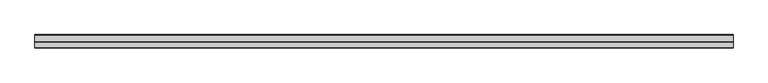
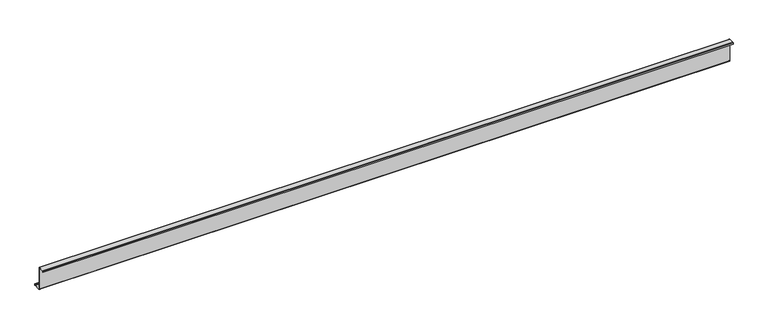
"""IFC4 building model written with IfcOpenShell, lengths in millimetres: member geometry."""

import ifcopenshell
import ifcopenshell.guid

model = None  # the IFC model being written
_history = None  # IfcOwnerHistory: only IFC2X3 demands one
_inside = {}  # id of a spatial element -> (the spatial element, [elements in it])
_under = {}  # id of a project, library or spatial element -> (it, [spatial elements below it])
_declared = {}  # id of a project -> (the project, [libraries it declares])
_typed = {}  # id of a type object -> (the type object, [elements of that type])
_made_of = {}  # id of a material, layer set ... -> (it, [elements and type objects made of it])


def new_model(schema):
    """Start an empty IFC model of exactly this schema.

    Asked for "IFC4X3", IfcOpenShell would pick the latest addendum, in which some entities
    have other attributes; the version numbers below select the first issue.
    IFC2X3 requires an IfcOwnerHistory on every rooted entity: one is made here for all.
    """
    global model, _history
    if schema == "IFC4X3":
        model = ifcopenshell.file(schema_version=(4, 3, 0, 0))
    else:
        model = ifcopenshell.file(schema=schema)
    _inside.clear()
    _under.clear()
    _declared.clear()
    _typed.clear()
    _made_of.clear()
    _history = None
    if model.schema == "IFC2X3":
        org = make("IfcOrganization", Name="unknown")
        user = make(
            "IfcPersonAndOrganization",
            ThePerson=make("IfcPerson", FamilyName="unknown"),
            TheOrganization=org,
        )
        app = make(
            "IfcApplication",
            ApplicationDeveloper=org,
            Version="unknown",
            ApplicationFullName="unknown",
            ApplicationIdentifier="unknown",
        )
        _history = make(
            "IfcOwnerHistory",
            OwningUser=user,
            OwningApplication=app,
            ChangeAction="ADDED",
            CreationDate=0,
        )
    return model


def make(cls, **values):
    """One entity of the class cls with the attributes given. An attribute that is None is left unset."""
    return model.create_entity(
        cls, **{name: value for name, value in values.items() if value is not None}
    )


def rooted(cls, **values):
    """An entity with a GlobalId (a new one), such as an element, a storey or a relation."""
    return make(cls, GlobalId=ifcopenshell.guid.new(), OwnerHistory=_history, **values)


def si_unit(unit_type, name, prefix=None):
    """IfcSIUnit, for example si_unit("LENGTHUNIT", "METRE", prefix="MILLI")."""
    return make("IfcSIUnit", UnitType=unit_type, Prefix=prefix, Name=name)


def assignment(units):
    """IfcUnitAssignment: the units of a project."""
    return None if units is None else make("IfcUnitAssignment", Units=units)


def point(xyz):
    """IfcCartesianPoint."""
    return None if xyz is None else make("IfcCartesianPoint", Coordinates=xyz)


def direction(xyz):
    """IfcDirection."""
    return None if xyz is None else make("IfcDirection", DirectionRatios=xyz)


def frame(location, z_axis=None, x_axis=None):
    """IfcAxis2Placement3D, a coordinate frame: its origin and axes. An axis left out is left unset."""
    return make(
        "IfcAxis2Placement3D",
        Location=point(location),
        Axis=direction(z_axis),
        RefDirection=direction(x_axis),
    )


def frame_2d(location, x_axis=None):
    """IfcAxis2Placement2D, a coordinate frame in the plane: its origin and x axis."""
    return make(
        "IfcAxis2Placement2D", Location=point(location), RefDirection=direction(x_axis)
    )


def origin():
    """The frame at (0, 0, 0) with its axes left unset."""
    return frame((0.0, 0.0, 0.0))


def place(relative_to, where):
    """IfcLocalPlacement: puts the frame where relative to a parent placement (None: the world)."""
    return make(
        "IfcLocalPlacement", PlacementRelTo=relative_to, RelativePlacement=where
    )


def context(
    kind, dimensions, precision=None, world=None, true_north=None, identifier=None
):
    """IfcGeometricRepresentationContext, for example the 3D "Model" context."""
    return make(
        "IfcGeometricRepresentationContext",
        ContextIdentifier=identifier,
        ContextType=kind,
        CoordinateSpaceDimension=dimensions,
        Precision=precision,
        WorldCoordinateSystem=world,
        TrueNorth=true_north,
    )


def project(units=None, contexts=None):
    """IfcProject with its units and contexts."""
    return rooted(
        "IfcProject",
        Name="project",
        RepresentationContexts=contexts,
        UnitsInContext=assignment(units),
    )


def spatial(cls, under=None, at=None, **own):
    """A site, building, storey or space (cls), placed at a placement, below another one or the project."""
    s = rooted(cls, ObjectPlacement=at, **own)
    if under is not None:
        _under.setdefault(under.id(), (under, []))[1].append(s)
    return s


def polyline(points):
    """IfcPolyline through the points."""
    return make("IfcPolyline", Points=[point(p) for p in points])


def circle_curve(where, radius):
    """IfcCircle in the frame where."""
    return make("IfcCircle", Position=where, Radius=radius)


def trimmed(basis, trim1, trim2, sense, master):
    """IfcTrimmedCurve: the piece of a basis curve between two trims."""
    return make(
        "IfcTrimmedCurve",
        BasisCurve=basis,
        Trim1=trim1,
        Trim2=trim2,
        SenseAgreement=sense,
        MasterRepresentation=master,
    )


def segment(curve, same_sense, transition):
    """IfcCompositeCurveSegment."""
    return make(
        "IfcCompositeCurveSegment",
        Transition=transition,
        SameSense=same_sense,
        ParentCurve=curve,
    )


def composite_curve(segments, self_intersect=None):
    """IfcCompositeCurve: segments joined end to end."""
    return make("IfcCompositeCurve", Segments=segments, SelfIntersect=self_intersect)


def outline(outer, holes=None, kind="AREA"):
    """IfcArbitraryClosedProfileDef: a profile drawn as a closed curve; with holes, ...WithVoids."""
    if holes is None:
        return make("IfcArbitraryClosedProfileDef", ProfileType=kind, OuterCurve=outer)
    return make(
        "IfcArbitraryProfileDefWithVoids",
        ProfileType=kind,
        OuterCurve=outer,
        InnerCurves=holes,
    )


def extrude(swept, where, along, depth):
    """IfcExtrudedAreaSolid: the profile swept, set in the frame where, extruded along a direction by depth."""
    return make(
        "IfcExtrudedAreaSolid",
        SweptArea=swept,
        Position=where,
        ExtrudedDirection=direction(along),
        Depth=depth,
    )


def shape(context_of_items, identifier, shape_type, items):
    """IfcShapeRepresentation: the items that make up one representation, for example the "Body"."""
    return make(
        "IfcShapeRepresentation",
        ContextOfItems=context_of_items,
        RepresentationIdentifier=identifier,
        RepresentationType=shape_type,
        Items=items,
    )


def source(mapping_origin, context_of_items, identifier, shape_type, items):
    """IfcRepresentationMap: a shape defined once, which mapped items show again and again."""
    return make(
        "IfcRepresentationMap",
        MappingOrigin=mapping_origin,
        MappedRepresentation=shape(context_of_items, identifier, shape_type, items),
    )


def transform(
    local_origin,
    x_axis=None,
    y_axis=None,
    z_axis=None,
    scale=None,
    scale2=None,
    scale3=None,
    uniform=True,
):
    """IfcCartesianTransformationOperator3D, or its non-uniform kind. x_axis, y_axis, z_axis: its Axis1, 2, 3."""
    if uniform:
        return make(
            "IfcCartesianTransformationOperator3D",
            Axis1=direction(x_axis),
            Axis2=direction(y_axis),
            LocalOrigin=point(local_origin),
            Scale=scale,
            Axis3=direction(z_axis),
        )
    return make(
        "IfcCartesianTransformationOperator3DnonUniform",
        Axis1=direction(x_axis),
        Axis2=direction(y_axis),
        LocalOrigin=point(local_origin),
        Scale=scale,
        Axis3=direction(z_axis),
        Scale2=scale2,
        Scale3=scale3,
    )


def mapped(mapping_source, mapping_target):
    """IfcMappedItem: shows the shape of a source again, moved by a transform."""
    return make(
        "IfcMappedItem", MappingSource=mapping_source, MappingTarget=mapping_target
    )


def made_of(thing, what):
    """Note that an element or type object is made of a material, layer set ...; save() writes the relation."""
    if what is not None:
        _made_of.setdefault(what.id(), (what, []))[1].append(thing)
    return thing


def element(
    cls,
    number,
    at=None,
    inside=None,
    cuts=None,
    type_object=None,
    material=None,
    context=None,
    identifier="Body",
    shape_type=None,
    held_by="IfcProductDefinitionShape",
    body=None,
    shapes=None,
    **own,
):
    """One element of the class cls, such as IfcWall. Its Tag is "e" and its number.

    at: its placement. inside: the storey or other place that contains it. cuts: it is an
    opening in that element (IfcRelVoidsElement). A single representation is given by context,
    identifier, shape_type and body (its items); several are given by shapes. held_by: the class
    of the entity that holds the representations. save() writes the other relations.
    """
    e = rooted(cls, Tag="e%d" % number, ObjectPlacement=at, **own)
    if body is not None:
        shapes = [shape(context, identifier, shape_type, body)]
    if shapes is not None:
        e.Representation = make(held_by, Representations=shapes)
    if inside is not None:
        _inside.setdefault(inside.id(), (inside, []))[1].append(e)
    if cuts is not None:
        rooted(
            "IfcRelVoidsElement", RelatingBuildingElement=cuts, RelatedOpeningElement=e
        )
    if type_object is not None:
        _typed.setdefault(type_object.id(), (type_object, []))[1].append(e)
    return made_of(e, material)


def aggregate(whole, parts):
    """IfcRelAggregates: a whole, such as a stair, and the parts it consists of."""
    return rooted("IfcRelAggregates", RelatingObject=whole, RelatedObjects=parts)


def save(model, path):
    """Write the relations noted so far, then the file.

    IfcRelAggregates (storeys below a building ...), IfcRelContainedInSpatialStructure (elements
    in a storey), IfcRelDefinesByType, IfcRelAssociatesMaterial and IfcRelDeclares: one each for
    every whole, place, type object, material and project.
    """
    for whole, parts in _under.values():
        aggregate(whole, parts)
    for where, things in _inside.values():
        rooted(
            "IfcRelContainedInSpatialStructure",
            RelatedElements=things,
            RelatingStructure=where,
        )
    for kind, things in _typed.values():
        rooted("IfcRelDefinesByType", RelatedObjects=things, RelatingType=kind)
    for what, things in _made_of.values():
        rooted("IfcRelAssociatesMaterial", RelatedObjects=things, RelatingMaterial=what)
    for by, libraries in _declared.values():
        rooted("IfcRelDeclares", RelatingContext=by, RelatedDefinitions=libraries)
    model.write(path)


def member_4647009c(model_context):
    return source(origin(), model_context, "Body", "SweptSolid", [
        extrude(outline(composite_curve([segment(polyline([(0.0, -123.5), (0.0, 123.5)]), True, "CONTINUOUS"), segment(trimmed(circle_curve(frame_2d((-2.0, 123.5)), 2.0), [point((0.0, 123.5))], [point((-2.0, 125.5))], True, "CARTESIAN"), True, "CONTINUOUS"), segment(polyline([(-2.0, 125.5), (-63.5, 125.5)]), True, "CONTINUOUS"), segment(trimmed(circle_curve(frame_2d((-63.5, 123.5)), 2.0), [point((-63.5, 125.5))], [point((-65.5, 123.5))], True, "CARTESIAN"), True, "CONTINUOUS"), segment(polyline([(-65.5, 123.5), (-65.5, 107.0), (-67.0, 107.0), (-67.0, 123.5)]), True, "CONTINUOUS"), segment(trimmed(circle_curve(frame_2d((-63.5, 123.5)), 3.5), [point((-67.0, 123.5))], [point((-63.5, 127.0))], False, "CARTESIAN"), True, "CONTINUOUS"), segment(polyline([(-63.5, 127.0), (-2.0, 127.0)]), True, "CONTINUOUS"), segment(trimmed(circle_curve(frame_2d((-2.0, 123.5)), 3.5), [point((-2.0, 127.0))], [point((1.5, 123.5))], False, "CARTESIAN"), True, "CONTINUOUS"), segment(polyline([(1.5, 123.5), (1.5, -123.5)]), True, "CONTINUOUS"), segment(trimmed(circle_curve(frame_2d((3.5, -123.5)), 2.0), [point((1.5, -123.5))], [point((3.5, -125.5))], True, "CARTESIAN"), True, "CONTINUOUS"), segment(polyline([(3.5, -125.5), (75.0, -125.5)]), True, "CONTINUOUS"), segment(trimmed(circle_curve(frame_2d((75.0, -123.5)), 2.0), [point((75.0, -125.5))], [point((77.0, -123.5))], True, "CARTESIAN"), True, "CONTINUOUS"), segment(polyline([(77.0, -123.5), (77.0, -107.5), (78.5, -107.5), (78.5, -123.5)]), True, "CONTINUOUS"), segment(trimmed(circle_curve(frame_2d((75.0, -123.5)), 3.5), [point((78.5, -123.5))], [point((75.0, -127.0))], False, "CARTESIAN"), True, "CONTINUOUS"), segment(polyline([(75.0, -127.0), (3.5, -127.0)]), True, "CONTINUOUS"), segment(trimmed(circle_curve(frame_2d((3.5, -123.5)), 3.5), [point((3.5, -127.0))], [point((0.0, -123.5))], False, "CARTESIAN"), True, "CONTINUOUS")], self_intersect=False)), frame((-4042.5, 0.0, 0.0), z_axis=(1.0, 0.0, 0.0), x_axis=(0.0, 1.0, 0.0)), (0.0, 0.0, 1.0), 7485.0),
    ])


if __name__ == "__main__":
    model = new_model("IFC4")
    model_context = context("Model", 3, world=origin())
    ifc_project = project(units=[si_unit("LENGTHUNIT", "METRE", prefix="MILLI")], contexts=[model_context])
    site = spatial("IfcSite", under=ifc_project)
    building = spatial("IfcBuilding", under=site)
    placement = place(None, origin())
    member_shape = member_4647009c(model_context)
    element("IfcMember", 1, at=placement, inside=building, context=model_context, shape_type="MappedRepresentation", body=[
        mapped(member_shape, transform((0.0, 0.0, 0.0), x_axis=(1.0, 0.0, 0.0), y_axis=(0.0, 1.0, 0.0), z_axis=(0.0, 0.0, 1.0))),
    ])
    save(model, "model.ifc")
